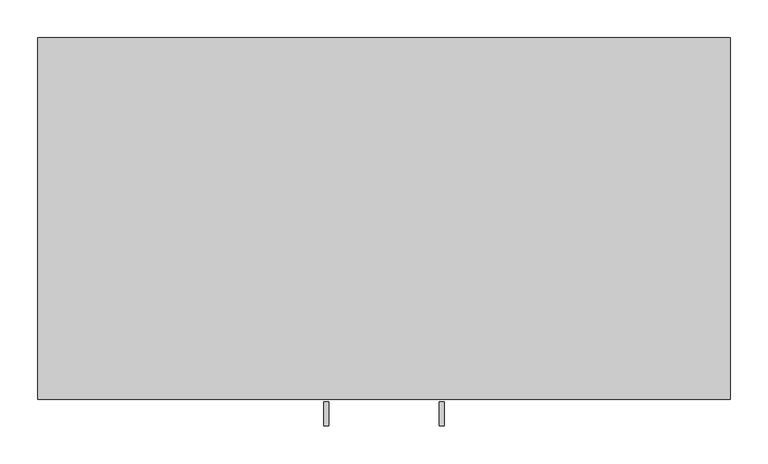
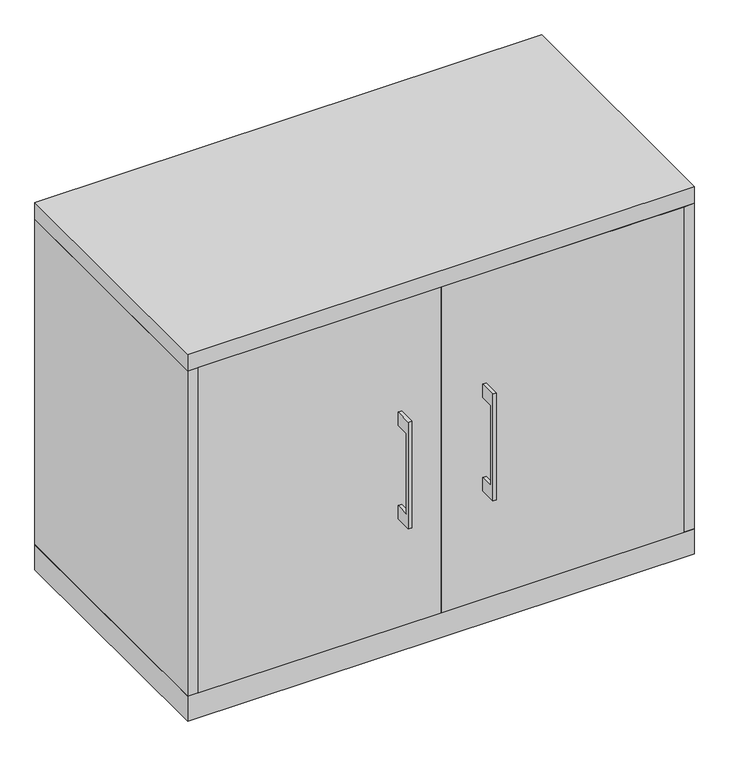
"""IFC4 building model written with IfcOpenShell, lengths in millimetres: furniture geometry."""

from ifc_helpers import new_model, si_unit, frame, origin, origin_with_axes, place, context, project, spatial, polyline, outline, extrude, source, transform, mapped, element, save


def furniture_4913cecb(model_context):
    return source(origin(), model_context, "Body", "SweptSolid", [
        extrude(outline(polyline([(-479.425, 433.3875), (-504.8249758, 433.3875), (-504.8249758, 280.9875), (-479.425, 280.9875), (-479.425, 255.5875), (-511.1749879, 255.5875), (-511.1749879, 458.7875), (-479.425, 458.7875), (-479.425, 433.3875)])), frame((-79.3749879, 0.0, 0.0), z_axis=(1.0, 0.0, 0.0), x_axis=(0.0, 1.0, 0.0)), (0.0, 0.0, 1.0), 6.3499758),
        extrude(outline(polyline([(-436.5625, -476.25), (-436.5625, -457.2), (0.0, -457.2), (0.0, -476.25), (-436.5625, -476.25)])), frame((0.0, 0.0, 47.625), z_axis=(0.0, 0.0, 1.0), x_axis=(1.0, 0.0, 0.0)), (0.0, 0.0, 1.0), 619.125),
        extrude(outline(polyline([(-479.425, 433.3875), (-504.8249758, 433.3875), (-504.8249758, 280.9875), (-479.425, 280.9875), (-479.425, 255.5875), (-511.1749879, 255.5875), (-511.1749879, 458.7875), (-479.425, 458.7875), (-479.425, 433.3875)])), frame((73.0250121, 0.0, 0.0), z_axis=(1.0, 0.0, 0.0), x_axis=(0.0, 1.0, 0.0)), (0.0, 0.0, 1.0), 6.3499758),
        extrude(outline(polyline([(436.5625, -476.25), (0.0, -476.25), (0.0, -457.2), (436.5625, -457.2), (436.5625, -476.25)])), frame((0.0, 0.0, 47.625), z_axis=(0.0, 0.0, 1.0), x_axis=(1.0, 0.0, 0.0)), (0.0, 0.0, 1.0), 619.125),
        extrude(outline(polyline([(436.5625, -19.05), (436.5625, -457.2), (-436.5625, -457.2), (-436.5625, -19.05), (436.5625, -19.05)])), frame((0.0, 0.0, 347.6625), z_axis=(0.0, 0.0, 1.0), x_axis=(1.0, 0.0, 0.0)), (0.0, 0.0, 1.0), 19.05),
        extrude(outline(polyline([(455.6125, 0.0), (455.6125, -476.25), (-455.6125, -476.25), (-455.6125, 0.0), (455.6125, 0.0)])), origin_with_axes(), (0.0, 0.0, 1.0), 47.625),
        extrude(outline(polyline([(455.6125, 0.0), (455.6125, -476.25), (-455.6125, -476.25), (-455.6125, 0.0), (455.6125, 0.0)])), frame((0.0, 0.0, 666.75), z_axis=(0.0, 0.0, 1.0), x_axis=(1.0, 0.0, 0.0)), (0.0, 0.0, 1.0), 31.75),
        extrude(outline(polyline([(455.6125, 0.0), (455.6125, -476.25), (436.5625, -476.25), (436.5625, -19.05), (-436.5625, -19.05), (-436.5625, -476.25), (-455.6125, -476.25), (-455.6125, 0.0), (455.6125, 0.0)])), frame((0.0, 0.0, 47.625), z_axis=(0.0, 0.0, 1.0), x_axis=(1.0, 0.0, 0.0)), (0.0, 0.0, 1.0), 619.125),
    ])


if __name__ == "__main__":
    model = new_model("IFC4")
    model_context = context("Model", 3, world=origin())
    ifc_project = project(units=[si_unit("LENGTHUNIT", "METRE", prefix="MILLI")], contexts=[model_context])
    site = spatial("IfcSite", under=ifc_project)
    building = spatial("IfcBuilding", under=site)
    placement = place(None, origin())
    furniture_shape = furniture_4913cecb(model_context)
    element("IfcFurniture", 1, at=placement, inside=building, context=model_context, shape_type="MappedRepresentation", body=[
        mapped(furniture_shape, transform((0.0, 0.0, 0.0), x_axis=(1.0, 0.0, 0.0), y_axis=(0.0, 1.0, 0.0), z_axis=(0.0, 0.0, 1.0))),
    ])
    save(model, "model.ifc")
